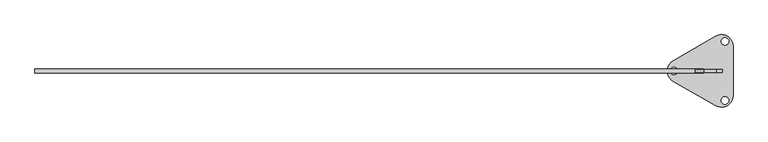
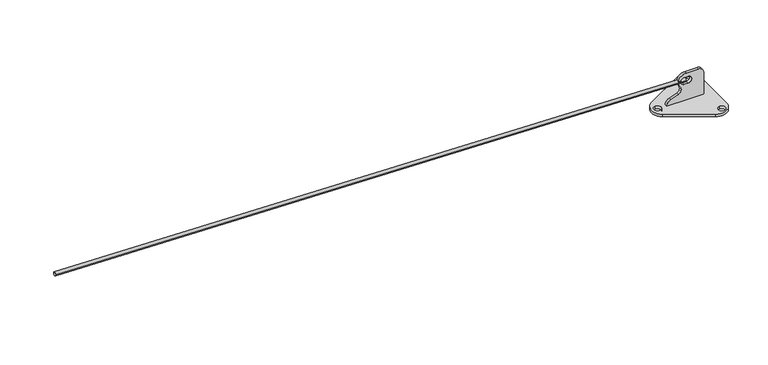
"""IFC4 building model written with IfcOpenShell, lengths in millimetres: proxy geometry."""

from ifc_helpers import new_model, si_unit, point, frame, frame_2d, origin, origin_with_axes, place, context, project, spatial, polyline, circle_curve, trimmed, segment, composite_curve, outline, extrude, source, transform, mapped, element, save
from ifc_brep_helpers import plane_surface, extruded_surface, advanced_brep


def specialty_equipment_4c629058(model_context):
    return source(origin(), model_context, "Body", "SolidModel", [
        extrude(outline(composite_curve([segment(polyline([(6.0, 1383.0336425), (6.0, 1467.0336425), (57.0, 1467.0336425)]), True, "CONTINUOUS"), segment(trimmed(circle_curve(frame_2d((57.0, 1454.0336425)), 13.0), [point((57.0, 1467.0336425))], [point((70.0, 1454.0336425))], False, "CARTESIAN"), True, "CONTINUOUS"), segment(polyline([(70.0, 1454.0336425), (70.0, 1427.0336425)]), True, "CONTINUOUS"), segment(trimmed(circle_curve(frame_2d((52.0, 1427.0336425)), 18.0), [point((70.0, 1427.0336425))], [point((40.5782653, 1413.1216341))], False, "CARTESIAN"), True, "CONTINUOUS"), segment(trimmed(circle_curve(frame_2d((34.2328572, 1405.3927406)), 10.0), [point((40.5782653, 1413.1216341))], [point((24.8874766, 1408.9513727))], True, "CARTESIAN"), True, "CONTINUOUS"), segment(polyline([(24.8874766, 1408.9513727), (18.3141191, 1391.6889734)]), True, "CONTINUOUS"), segment(trimmed(circle_curve(frame_2d((5.7533535, 1396.4719936)), 13.4406143), [point((18.3141191, 1391.6889734))], [point((6.0, 1383.0336425))], False, "CARTESIAN"), True, "CONTINUOUS")], self_intersect=False), holes=[composite_curve([segment(trimmed(circle_curve(frame_2d((52.4243022, 1423.1118023)), 8.0), [point((44.4243022, 1423.1118023))], [point((60.4243022, 1423.1118023))], True, "CARTESIAN"), True, "CONTINUOUS"), segment(polyline([(60.4243022, 1423.1118023), (60.4243022, 1431.1118023)]), True, "CONTINUOUS"), segment(trimmed(circle_curve(frame_2d((52.4243022, 1431.1118023)), 8.0), [point((60.4243022, 1431.1118023))], [point((44.4243022, 1431.1118023))], True, "CARTESIAN"), True, "CONTINUOUS"), segment(polyline([(44.4243022, 1431.1118023), (44.4243022, 1423.1118023)]), True, "CONTINUOUS")], self_intersect=False)]), frame((0.0, -3.0114449, 0.0), z_axis=(0.0, 1.0, 0.0), x_axis=(0.0, 0.0, 1.0)), (0.0, 0.0, 1.0), 6.0),
        extrude(outline(composite_curve([segment(polyline([(1490.0408446, 53.0576482), (1490.0408446, -52.3557285)]), True, "CONTINUOUS"), segment(trimmed(circle_curve(frame_2d((1464.8408446, -52.3557285)), 25.2), [point((1490.0408446, -52.3557285))], [point((1452.1841479, -74.1467365))], False, "CARTESIAN"), True, "CONTINUOUS"), segment(polyline([(1452.1841479, -74.1467365), (1362.8770487, -22.2752089)]), True, "CONTINUOUS"), segment(trimmed(circle_curve(frame_2d((1375.8475862, 0.0561381)), 25.8248698), [point((1362.8770487, -22.2752089))], [point((1362.9933411, 22.4546266))], False, "CARTESIAN"), True, "CONTINUOUS"), segment(polyline([(1362.9933411, 22.4546266), (1453.3460493, 74.3070473)]), True, "CONTINUOUS"), segment(trimmed(circle_curve(frame_2d((1465.5408446, 53.0576482)), 24.5), [point((1453.3460493, 74.3070473))], [point((1490.0408446, 53.0576482))], False, "CARTESIAN"), True, "CONTINUOUS")], self_intersect=False), holes=[composite_curve([segment(trimmed(circle_curve(frame_2d((1363.7499076, -0.0114449)), 8.0), [point((1363.7499076, 7.9885551))], [point((1363.7499076, -8.0114449))], True, "CARTESIAN"), True, "CONTINUOUS"), segment(trimmed(circle_curve(frame_2d((1363.7499076, -0.0114449)), 8.0), [point((1363.7499076, -8.0114449))], [point((1363.7499076, 7.9885551))], True, "CARTESIAN"), True, "CONTINUOUS")], self_intersect=False), composite_curve([segment(trimmed(circle_curve(frame_2d((1472.7049474, -63.2949285)), 8.0), [point((1472.7049474, -55.2949285))], [point((1472.7049474, -71.2949285))], True, "CARTESIAN"), True, "CONTINUOUS"), segment(trimmed(circle_curve(frame_2d((1472.7049474, -63.2949285)), 8.0), [point((1472.7049474, -71.2949285))], [point((1472.7049474, -55.2949285))], True, "CARTESIAN"), True, "CONTINUOUS")], self_intersect=False), composite_curve([segment(trimmed(circle_curve(frame_2d((1472.7049474, 63.2720387)), 8.0), [point((1472.7049474, 71.2720387))], [point((1472.7049474, 55.2720387))], True, "CARTESIAN"), True, "CONTINUOUS"), segment(trimmed(circle_curve(frame_2d((1472.7049474, 63.2720387)), 8.0), [point((1472.7049474, 55.2720387))], [point((1472.7049474, 71.2720387))], True, "CARTESIAN"), True, "CONTINUOUS")], self_intersect=False)]), origin_with_axes(), (0.0, 0.0, 1.0), 6.0),
        advanced_brep(
        [(1426.2, -4.0, 52.4), (1426.2, 4.0, 52.4), (1.0, -4.0, 86.5), (1.0, 4.0, 86.5)],
        [
            (0, 1, circle_curve(frame((1426.2, 0.0, 52.4), z_axis=(1.0, 0.0, 0.0), x_axis=(0.0, 1.0, 0.0)), 4.0)),
            (1, 0, circle_curve(frame((1426.2, 0.0, 52.4), z_axis=(1.0, 0.0, 0.0), x_axis=(0.0, 1.0, 0.0)), 4.0)),
            (2, 3, circle_curve(frame((1.0, 0.0, 86.5), z_axis=(-1.0, 0.0, 0.0), x_axis=(0.0, 1.0, 0.0)), 4.0)),
            (3, 2, circle_curve(frame((1.0, 0.0, 86.5), z_axis=(-1.0, 0.0, 0.0), x_axis=(0.0, 1.0, 0.0)), 4.0)),
            (3, 1),
            (0, 2),
        ],
        [
            plane_surface(frame((1426.2, 0.0, 52.4), z_axis=(1.0, 0.0, 0.0), x_axis=(0.0, 0.0, -1.0))),
            plane_surface(frame((1.0, 0.0, 86.5), z_axis=(-1.0, 0.0, 0.0), x_axis=(0.0, 0.0, -1.0))),
            extruded_surface(trimmed(circle_curve(frame((1.0, 0.0, 86.5), z_axis=(1.0, 0.0, 0.0), x_axis=(0.0, 1.0, 0.0)), 4.0), [point((1.0, -4.0, 86.5))], [point((1.0, 4.0, 86.5))], True, "CARTESIAN"), (1425.2, 0.0, -34.1), 1425.6078878850244),
            extruded_surface(trimmed(circle_curve(frame((1.0, 0.0, 86.5), z_axis=(1.0, 0.0, 0.0), x_axis=(0.0, 1.0, 0.0)), 4.0), [point((1.0, 4.0, 86.5))], [point((1.0, -4.0, 86.5))], True, "CARTESIAN"), (1425.2, 0.0, -34.1), 1425.6078878850244),
        ],
        [
            (0, [[1, 2]]),
            (1, [[3, 4]]),
            (2, [[-4, 5, -1, 6]]),
            (3, [[-3, -6, -2, -5]]),
        ],
    ),
    ])


if __name__ == "__main__":
    model = new_model("IFC4")
    model_context = context("Model", 3, world=origin())
    ifc_project = project(units=[si_unit("LENGTHUNIT", "METRE", prefix="MILLI")], contexts=[model_context])
    site = spatial("IfcSite", under=ifc_project)
    building = spatial("IfcBuilding", under=site)
    placement = place(None, origin())
    specialty_equipment_shape = specialty_equipment_4c629058(model_context)
    element("IfcBuildingElementProxy", 1, Name="Specialty Equipment", at=placement, inside=building, context=model_context, shape_type="MappedRepresentation", body=[
        mapped(specialty_equipment_shape, transform((0.0, 0.0, 0.0), x_axis=(1.0, 0.0, 0.0), y_axis=(0.0, 1.0, 0.0), z_axis=(0.0, 0.0, 1.0))),
    ])
    save(model, "model.ifc")
